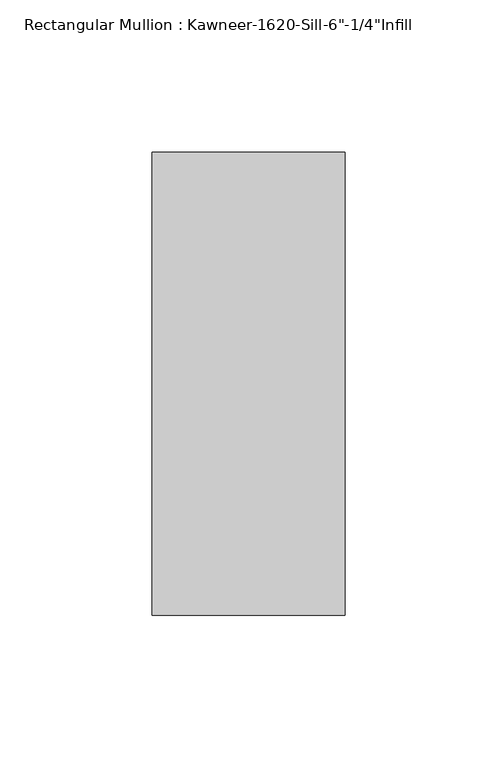
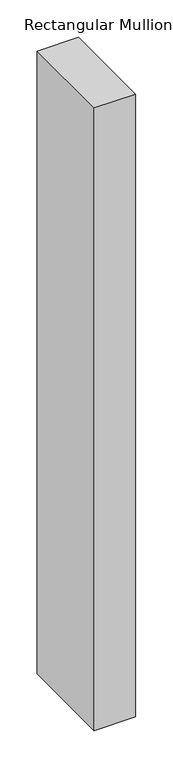
"""IFC4 building model written with IfcOpenShell, lengths in millimetres: member geometry."""

from ifc_helpers import new_model, si_unit, frame, origin, place, context, project, spatial, polyline, outline, extrude, source, transform, mapped, element, save


def member_a1a8a262(model_context):
    return source(origin(), model_context, "Body", "SweptSolid", [
        extrude(outline(polyline([(-63.5, 28.575), (0.0, 28.575), (0.0, -123.825), (-63.5, -123.825), (-63.5, 28.575)])), frame((0.0, 0.0, -1015.6693107), z_axis=(0.0, 0.0, 1.0), x_axis=(1.0, 0.0, 0.0)), (0.0, 0.0, 1.0), 1015.6693107),
    ])


if __name__ == "__main__":
    model = new_model("IFC4")
    model_context = context("Model", 3, world=origin())
    ifc_project = project(units=[si_unit("LENGTHUNIT", "METRE", prefix="MILLI")], contexts=[model_context])
    site = spatial("IfcSite", under=ifc_project)
    building = spatial("IfcBuilding", under=site)
    placement = place(None, origin())
    member_shape = member_a1a8a262(model_context)
    element("IfcMember", 1, ObjectType="Rectangular Mullion : Kawneer-1620-Sill-6\"-1/4\"Infill", at=placement, inside=building, context=model_context, shape_type="MappedRepresentation", body=[
        mapped(member_shape, transform((0.0, 0.0, 0.0), x_axis=(1.0, 0.0, 0.0), y_axis=(0.0, 1.0, 0.0), z_axis=(0.0, 0.0, 1.0))),
    ])
    save(model, "model.ifc")
